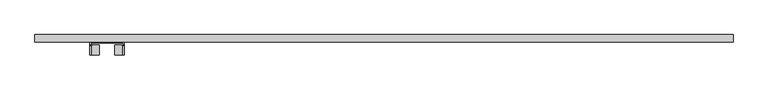
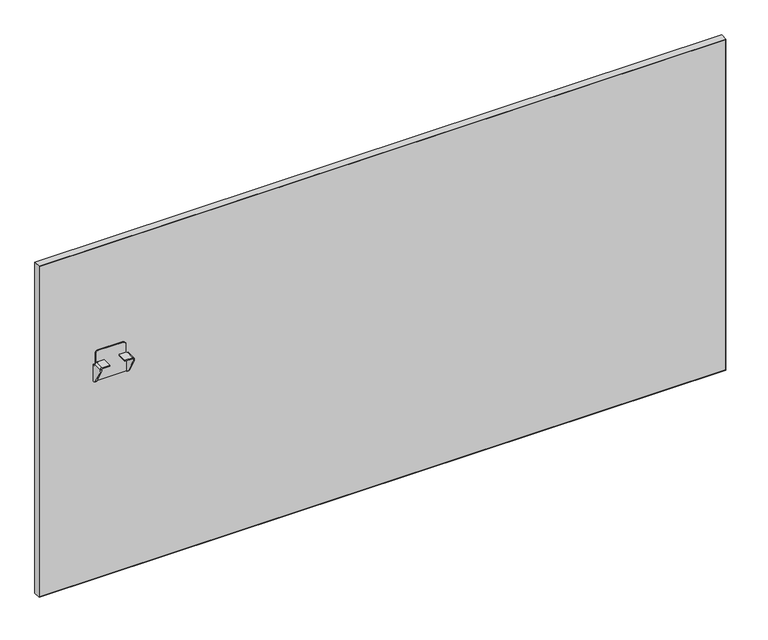
"""IFC4 building model written with IfcOpenShell, lengths in millimetres: furniture geometry."""

from ifc_helpers import new_model, si_unit, frame, origin, place, context, project, spatial, polyline, circle_curve, outline, extrude, source, transform, mapped, element, save
from ifc_brep_helpers import plane_surface, cylinder_surface, revolved_surface, advanced_brep


def furniture_2f40ea91(model_context):
    return source(origin(), model_context, "Body", "SolidModel", [
        advanced_brep(
        [(149.0521938, 1.06716, 620.0380983), (149.0521938, 4.1049999, 620.0380983), (144.0521992, 4.1049999, 620.0380983), (144.0521992, -1.6875933, 620.0380983), (147.0900316, -1.6875933, 620.0380983), (147.0900316, 1.06716, 620.0380983), (229.0522071, 4.1049999, 620.0380983), (229.0522071, 1.06716, 620.0380983), (231.0143693, 1.06716, 620.0380983), (231.0143693, -1.6875933, 620.0380983), (234.0522017, -1.6875933, 620.0380983), (234.0522017, 4.1049999, 620.0380983), (229.052189, 4.1049999, 649.8381144), (229.052189, 1.06716, 649.8381144), (222.0521984, 4.1049999, 656.838105), (222.0521984, 1.06716, 656.838105), (156.0522026, 4.1049999, 656.838105), (156.0522026, 1.06716, 656.838105), (149.0521938, 4.1049999, 649.8380962), (149.0521938, 1.06716, 649.8380962), (169.0521994, -29.5203411, 626.5001312), (169.0521994, -29.5203411, 629.5379545), (148.4947233, -29.5203411, 629.5379545), (144.0521992, -29.5203411, 625.0954304), (144.0521992, -29.5203411, 624.6295199), (147.0900316, -29.5203411, 624.6295199), (147.0900316, -29.5203411, 625.0357436), (148.5544192, -29.5203411, 626.5001312), (209.0522015, -29.5203411, 626.5001312), (229.5499817, -29.5203411, 626.5001312), (231.0143693, -29.5203411, 625.0357436), (231.0143693, -29.5203411, 624.6295199), (234.0522017, -29.5203411, 624.6295199), (234.0522017, -29.5203411, 625.0954304), (229.6096776, -29.5203411, 629.5379545), (209.0522015, -29.5203411, 629.5379545), (234.0522017, 4.1049999, 573.0381329), (144.0521992, 4.1049999, 573.0381329), (169.0521994, -4.3999769, 626.5001312), (169.0521994, -4.3999769, 629.5379545), (168.1725625, -3.5203401, 629.5379545), (151.2898165, -3.5203401, 629.5379545), (150.5521931, -4.2579635, 629.5379545), (150.5521931, -5.4397153, 629.5379545), (149.9715682, -6.0203402, 629.5379545), (148.4947233, -6.0203402, 629.5379545), (144.0521992, -6.0203402, 625.0954304), (144.0521992, -6.0203402, 624.3708452), (144.0521992, 0.8823599, 573.0381329), (144.0521992, -5.9290326, 577.9183582), (144.0521992, -25.8702399, 611.375914), (147.0900316, 0.8823599, 573.0381329), (234.0522017, 0.8823599, 573.0381329), (231.0143693, 0.8823599, 573.0381329), (231.0143693, 1.06716, 573.0381329), (147.0900316, 1.06716, 573.0381329), (147.0900316, -25.8702399, 611.375914), (147.0900316, -5.9290326, 577.9183582), (147.0900316, -6.0203402, 624.3708452), (147.0900316, -6.0203402, 625.0357436), (148.5544192, -6.0203402, 626.5001312), (149.9715682, -6.0203402, 626.5001312), (150.5521931, -5.4397153, 626.5001312), (150.5521931, -4.2579635, 626.5001312), (151.2898165, -3.5203401, 626.5001312), (168.1725625, -3.5203401, 626.5001312), (209.0522015, -4.3999769, 626.5001312), (209.9318384, -3.5203401, 626.5001312), (226.8145845, -3.5203401, 626.5001312), (227.5522079, -4.2579635, 626.5001312), (227.5522079, -5.4397153, 626.5001312), (228.1328327, -6.0203402, 626.5001312), (229.5499817, -6.0203402, 626.5001312), (231.0143693, -6.0203402, 625.0357436), (231.0143693, -6.0203402, 624.3708452), (231.0143693, -5.9290326, 577.9183582), (231.0143693, -25.8702399, 611.375914), (234.0522017, -25.8702399, 611.375914), (234.0522017, -5.9290326, 577.9183582), (234.0522017, -6.0203402, 624.3708452), (234.0522017, -6.0203402, 625.0954304), (229.6096776, -6.0203402, 629.5379545), (228.1328327, -6.0203402, 629.5379545), (227.5522079, -5.4397153, 629.5379545), (227.5522079, -4.2579635, 629.5379545), (226.8145845, -3.5203401, 629.5379545), (209.9318384, -3.5203401, 629.5379545), (209.0522015, -4.3999769, 629.5379545)],
        [
            (0, 1),
            (1, 2),
            (2, 3),
            (3, 4),
            (4, 5),
            (5, 0),
            (6, 7),
            (7, 8),
            (8, 9),
            (9, 10),
            (10, 11),
            (11, 6),
            (12, 13),
            (13, 7),
            (6, 12),
            (12, 14, circle_curve(frame((222.0521984, 4.1049999, 649.8381144), z_axis=(0.0, -1.0, 0.0), x_axis=(1.0, 0.0, 0.0)), 6.9999906)),
            (14, 15),
            (15, 13, circle_curve(frame((222.0521984, 1.06716, 649.8381144), z_axis=(0.0, 1.0, 0.0), x_axis=(1.0, 0.0, 0.0)), 6.9999906)),
            (14, 16),
            (16, 17),
            (17, 15),
            (16, 18, circle_curve(frame((156.0522026, 4.1049999, 649.8380962), z_axis=(0.0, -1.0, 0.0), x_axis=(1.0, 0.0, 0.0)), 7.0000088)),
            (18, 19),
            (19, 17, circle_curve(frame((156.0522026, 1.06716, 649.8380962), z_axis=(0.0, 1.0, 0.0), x_axis=(1.0, 0.0, 0.0)), 7.0000088)),
            (18, 1),
            (0, 19),
            (20, 21),
            (21, 22),
            (22, 23, circle_curve(frame((148.4947233, -29.5203411, 625.0954304), z_axis=(0.0, -1.0, 0.0), x_axis=(1.0, 0.0, 0.0)), 4.4425241)),
            (23, 24),
            (24, 25),
            (25, 26),
            (26, 27, circle_curve(frame((148.5544192, -29.5203411, 625.0357436), z_axis=(0.0, 1.0, 0.0), x_axis=(1.0, 0.0, 0.0)), 1.4643876)),
            (27, 20),
            (28, 29),
            (29, 30, circle_curve(frame((229.5499817, -29.5203411, 625.0357436), z_axis=(0.0, 1.0, 0.0), x_axis=(-1.0, 0.0, 0.0)), 1.4643876)),
            (30, 31),
            (31, 32),
            (32, 33),
            (33, 34, circle_curve(frame((229.6096776, -29.5203411, 625.0954304), z_axis=(0.0, -1.0, 0.0), x_axis=(-1.0, 0.0, 0.0)), 4.4425241)),
            (34, 35),
            (35, 28),
            (11, 36),
            (36, 37),
            (37, 2),
            (20, 38),
            (38, 39),
            (39, 21),
            (39, 40, circle_curve(frame((168.1725625, -4.3999769, 629.5379545), z_axis=(0.0, 0.0, 1.0), x_axis=(1.0, 0.0, 0.0)), 0.8796369)),
            (40, 41),
            (41, 42, circle_curve(frame((151.2898165, -4.2579635, 629.5379545), z_axis=(0.0, 0.0, 1.0), x_axis=(1.0, 0.0, 0.0)), 0.7376234)),
            (42, 43),
            (43, 44, circle_curve(frame((149.9715682, -5.4397153, 629.5379545), z_axis=(0.0, 0.0, -1.0), x_axis=(1.0, 0.0, 0.0)), 0.5806249)),
            (44, 45),
            (45, 22),
            (45, 46, circle_curve(frame((148.4947233, -6.0203402, 625.0954304), z_axis=(0.0, -1.0, 0.0), x_axis=(1.0, 0.0, 0.0)), 4.4425241)),
            (46, 23),
            (46, 47),
            (47, 3, circle_curve(frame((144.0521992, -1.6875933, 624.3708452), z_axis=(1.0, 0.0, 0.0), x_axis=(0.0, -1.0, 0.0)), 4.3327469)),
            (37, 48),
            (48, 49, circle_curve(frame((144.0521992, 3.066225, 583.2796673), z_axis=(-1.0, 0.0, 0.0), x_axis=(0.0, -1.0, 0.0)), 10.4717856)),
            (49, 50),
            (50, 24, circle_curve(frame((144.0521992, -3.6332082, 624.6295199), z_axis=(-1.0, 0.0, 0.0), x_axis=(0.0, -1.0, 0.0)), 25.8871329)),
            (51, 48),
            (36, 52),
            (52, 53),
            (53, 54),
            (54, 55),
            (55, 51),
            (25, 56, circle_curve(frame((147.0900316, -3.6332082, 624.6295199), z_axis=(1.0, 0.0, 0.0), x_axis=(0.0, -1.0, 0.0)), 25.8871329)),
            (56, 57),
            (57, 51, circle_curve(frame((147.0900316, 3.066225, 583.2796673), z_axis=(1.0, 0.0, 0.0), x_axis=(0.0, -1.0, 0.0)), 10.4717856)),
            (55, 5),
            (4, 58, circle_curve(frame((147.0900316, -1.6875933, 624.3708452), z_axis=(-1.0, 0.0, 0.0), x_axis=(0.0, -1.0, 0.0)), 4.3327469)),
            (58, 59),
            (59, 26),
            (59, 60, circle_curve(frame((148.5544192, -6.0203402, 625.0357436), z_axis=(0.0, 1.0, 0.0), x_axis=(1.0, 0.0, 0.0)), 1.4643876)),
            (60, 27),
            (60, 61),
            (61, 62, circle_curve(frame((149.9715682, -5.4397153, 626.5001312), z_axis=(0.0, 0.0, 1.0), x_axis=(1.0, 0.0, 0.0)), 0.5806249)),
            (62, 63),
            (63, 64, circle_curve(frame((151.2898165, -4.2579635, 626.5001312), z_axis=(0.0, 0.0, -1.0), x_axis=(1.0, 0.0, 0.0)), 0.7376234)),
            (64, 65),
            (65, 38, circle_curve(frame((168.1725625, -4.3999769, 626.5001312), z_axis=(0.0, 0.0, -1.0), x_axis=(1.0, 0.0, 0.0)), 0.8796369)),
            (28, 66),
            (66, 67, circle_curve(frame((209.9318384, -4.3999769, 626.5001312), z_axis=(0.0, 0.0, -1.0), x_axis=(-1.0, 0.0, 0.0)), 0.8796369)),
            (67, 68),
            (68, 69, circle_curve(frame((226.8145845, -4.2579635, 626.5001312), z_axis=(0.0, 0.0, -1.0), x_axis=(-1.0, 0.0, 0.0)), 0.7376234)),
            (69, 70),
            (70, 71, circle_curve(frame((228.1328327, -5.4397153, 626.5001312), z_axis=(0.0, 0.0, 1.0), x_axis=(-1.0, 0.0, 0.0)), 0.5806249)),
            (71, 72),
            (72, 29),
            (72, 73, circle_curve(frame((229.5499817, -6.0203402, 625.0357436), z_axis=(0.0, 1.0, 0.0), x_axis=(-1.0, 0.0, 0.0)), 1.4643876)),
            (73, 30),
            (73, 74),
            (74, 9, circle_curve(frame((231.0143693, -1.6875933, 624.3708452), z_axis=(1.0, 0.0, 0.0), x_axis=(0.0, -1.0, 0.0)), 4.3327469)),
            (8, 54),
            (53, 75, circle_curve(frame((231.0143693, 3.066225, 583.2796673), z_axis=(-1.0, 0.0, 0.0), x_axis=(0.0, -1.0, 0.0)), 10.4717856)),
            (75, 76),
            (76, 31, circle_curve(frame((231.0143693, -3.6332082, 624.6295199), z_axis=(-1.0, 0.0, 0.0), x_axis=(0.0, -1.0, 0.0)), 25.8871329)),
            (32, 77, circle_curve(frame((234.0522017, -3.6332082, 624.6295199), z_axis=(1.0, 0.0, 0.0), x_axis=(0.0, -1.0, 0.0)), 25.8871329)),
            (77, 78),
            (78, 52, circle_curve(frame((234.0522017, 3.066225, 583.2796673), z_axis=(1.0, 0.0, 0.0), x_axis=(0.0, -1.0, 0.0)), 10.4717856)),
            (10, 79, circle_curve(frame((234.0522017, -1.6875933, 624.3708452), z_axis=(-1.0, 0.0, 0.0), x_axis=(0.0, -1.0, 0.0)), 4.3327469)),
            (79, 80),
            (80, 33),
            (80, 81, circle_curve(frame((229.6096776, -6.0203402, 625.0954304), z_axis=(0.0, -1.0, 0.0), x_axis=(-1.0, 0.0, 0.0)), 4.4425241)),
            (81, 34),
            (81, 82),
            (82, 83, circle_curve(frame((228.1328327, -5.4397153, 629.5379545), z_axis=(0.0, 0.0, -1.0), x_axis=(-1.0, 0.0, 0.0)), 0.5806249)),
            (83, 84),
            (84, 85, circle_curve(frame((226.8145845, -4.2579635, 629.5379545), z_axis=(0.0, 0.0, 1.0), x_axis=(-1.0, 0.0, 0.0)), 0.7376234)),
            (85, 86),
            (86, 87, circle_curve(frame((209.9318384, -4.3999769, 629.5379545), z_axis=(0.0, 0.0, 1.0), x_axis=(-1.0, 0.0, 0.0)), 0.8796369)),
            (87, 35),
            (87, 66),
            (49, 57),
            (56, 50),
            (75, 78),
            (77, 76),
            (47, 58),
            (74, 79),
            (64, 41),
            (40, 65),
            (44, 61),
            (43, 62),
            (42, 63),
            (68, 85),
            (84, 69),
            (83, 70),
            (82, 71),
            (86, 67),
        ],
        [
            plane_surface(frame((147.8704256, 1.06716, 620.0380983), z_axis=(0.0, 0.0, 1.0), x_axis=(0.0, 1.0, 0.0))),
            plane_surface(frame((234.0522017, 1.06716, 620.0380983), z_axis=(0.0, 0.0, 1.0), x_axis=(0.0, 1.0, 0.0))),
            plane_surface(frame((229.052189, 1.06716, 621.2198666), z_axis=(1.0, 0.0, 0.0), x_axis=(0.0, 1.0, 0.0))),
            cylinder_surface(frame((222.0521984, 4.1049999, 649.8381144), z_axis=(0.0, -1.0, 0.0), x_axis=(1.0, 0.0, 0.0)), 6.9999906),
            plane_surface(frame((222.0521984, 1.06716, 656.838105), z_axis=(0.0, 0.0, 1.0), x_axis=(0.0, 1.0, 0.0))),
            cylinder_surface(frame((156.0522026, 4.1049999, 649.8380962), z_axis=(0.0, -1.0, 0.0), x_axis=(1.0, 0.0, 0.0)), 7.0000088),
            plane_surface(frame((149.0521938, 1.06716, 649.8380962), z_axis=(-1.0, 0.0, 0.0), x_axis=(0.0, 1.0, 0.0))),
            plane_surface(frame((169.0521994, -29.5203411, 629.5379545), z_axis=(0.0, -1.0, 0.0), x_axis=(0.0, 0.0, 1.0))),
            plane_surface(frame((169.0521994, 4.1049999, 629.5379545), z_axis=(0.0, 1.0, 0.0), x_axis=(0.0, 0.0, -1.0))),
            plane_surface(frame((169.0521994, -29.5203411, 626.5001312), z_axis=(1.0, 0.0, 0.0), x_axis=(0.0, 1.0, 0.0))),
            plane_surface(frame((169.0521994, -29.5203411, 629.5379545), z_axis=(0.0, 0.0, 1.0), x_axis=(0.0, 1.0, 0.0))),
            cylinder_surface(frame((148.4947233, 4.1049999, 625.0954304), z_axis=(0.0, -1.0, 0.0), x_axis=(1.0, 0.0, 0.0)), 4.4425241),
            plane_surface(frame((144.0521992, -29.5203411, 625.0954304), z_axis=(-1.0, 0.0, 0.0), x_axis=(0.0, 1.0, 0.0))),
            plane_surface(frame((144.0521992, -29.5203411, 573.0381329), z_axis=(0.0, 0.0, -1.0), x_axis=(0.0, 1.0, 0.0))),
            plane_surface(frame((147.0900316, -29.5203411, 573.0381329), z_axis=(1.0, 0.0, 0.0), x_axis=(0.0, 1.0, 0.0))),
            revolved_surface(polyline([(150.01880680000002, -6.020340199999999, 625.0357436), (150.01880680000002, -29.5203411, 625.0357436)]), (148.5544192, 4.1049999, 625.0357436), (0.0, 1.0, 0.0)),
            plane_surface(frame((148.5544192, -29.5203411, 626.5001312), z_axis=(0.0, 0.0, -1.0), x_axis=(0.0, 1.0, 0.0))),
            plane_surface(frame((209.0522015, -29.5203411, 626.5001312), z_axis=(0.0, 0.0, -1.0), x_axis=(0.0, 1.0, 0.0))),
            revolved_surface(polyline([(228.08559409999998, -6.0203402, 625.0357436), (228.08559409999998, -29.5203411, 625.0357436)]), (229.5499817, 0.0, 625.0357436), (0.0, 1.0, 0.0)),
            plane_surface(frame((231.0143693, -29.5203411, 625.0357436), z_axis=(-1.0, 0.0, 0.0), x_axis=(0.0, 1.0, 0.0))),
            plane_surface(frame((234.0522017, -29.5203411, 573.0381329), z_axis=(1.0, 0.0, 0.0), x_axis=(0.0, 1.0, 0.0))),
            cylinder_surface(frame((229.6096776, 0.0, 625.0954304), z_axis=(0.0, -1.0, 0.0), x_axis=(-1.0, 0.0, 0.0)), 4.4425241),
            plane_surface(frame((229.6096776, -29.5203411, 629.5379545), z_axis=(0.0, 0.0, 1.0), x_axis=(0.0, 1.0, 0.0))),
            plane_surface(frame((209.0522015, -29.5203411, 629.5379545), z_axis=(-1.0, 0.0, 0.0), x_axis=(0.0, 1.0, 0.0))),
            plane_surface(frame((236.585753, -5.9290326, 577.9183582), z_axis=(0.0, -0.8589994037788274, -0.5119765857025291), x_axis=(-1.0, 0.0, 0.0))),
            cylinder_surface(frame((141.8424723, -3.6332082, 624.6295199), z_axis=(-1.0, 0.0, 0.0), x_axis=(0.0, -1.0, 0.0)), 25.8871329),
            cylinder_surface(frame((141.8424723, 3.066225, 583.2796673), z_axis=(-1.0, 0.0, 0.0), x_axis=(0.0, -1.0, 0.0)), 10.4717856),
            revolved_surface(polyline([(147.0900316, -6.0203402, 624.3708452), (144.0521992, -6.0203402, 624.3708452)]), (141.8424723, -1.6875933, 624.3708452), (1.0, 0.0, 0.0)),
            revolved_surface(polyline([(231.0143693, -6.0203402, 624.3708452), (234.0522017, -6.0203402, 624.3708452)]), (236.2619286, -1.6875933, 624.3708452), (-1.0, 0.0, 0.0)),
            plane_surface(frame((151.2898165, -3.5203401, 663.2138968), z_axis=(0.0, 1.0, 0.0), x_axis=(0.0, 0.0, -1.0))),
            cylinder_surface(frame((168.1725625, -4.3999769, 560.9501359), z_axis=(0.0, 0.0, -1.0), x_axis=(1.0, 0.0, 0.0)), 0.8796369),
            plane_surface(frame((169.0521994, 1.06716, 663.2138968), z_axis=(0.0, -1.0, 0.0), x_axis=(0.0, 0.0, -1.0))),
            plane_surface(frame((149.0521938, -6.0203402, 663.2138968), z_axis=(0.0, 1.0, 0.0), x_axis=(0.0, 0.0, -1.0))),
            revolved_surface(polyline([(150.5521931, -5.4397153, 629.5379545), (150.5521931, -5.4397153, 626.5001312)]), (149.9715682, -5.4397153, 560.9501359), (0.0, 0.0, 1.0)),
            plane_surface(frame((150.5521931, -5.4397153, 663.2138968), z_axis=(-1.0, 0.0, 0.0), x_axis=(0.0, 0.0, -1.0))),
            cylinder_surface(frame((151.2898165, -4.2579635, 560.9501359), z_axis=(0.0, 0.0, -1.0), x_axis=(1.0, 0.0, 0.0)), 0.7376234),
            cylinder_surface(frame((226.8145845, -4.2579635, 48.3485614), z_axis=(0.0, 0.0, -1.0), x_axis=(-1.0, 0.0, 0.0)), 0.7376234),
            plane_surface(frame((227.5522079, -4.2579635, 663.2138968), z_axis=(1.0, 0.0, 0.0), x_axis=(0.0, 0.0, -1.0))),
            revolved_surface(polyline([(227.5522078, -5.4397153, 629.5379545), (227.5522078, -5.4397153, 626.5001312)]), (228.1328327, -5.4397153, 48.3485614), (0.0, 0.0, 1.0)),
            plane_surface(frame((228.1328327, -6.0203402, 663.2138968), z_axis=(0.0, 1.0, 0.0), x_axis=(0.0, 0.0, -1.0))),
            cylinder_surface(frame((209.9318384, -4.3999769, 48.3485614), z_axis=(0.0, 0.0, -1.0), x_axis=(-1.0, 0.0, 0.0)), 0.8796369),
            plane_surface(frame((209.9318384, -3.5203401, 663.2138968), z_axis=(0.0, 1.0, 0.0), x_axis=(0.0, 0.0, -1.0))),
        ],
        [
            (0, [[1, 2, 3, 4, 5, 6]]),
            (1, [[7, 8, 9, 10, 11, 12]]),
            (2, [[13, 14, -7, 15]]),
            (3, [[16, 17, 18, -13]]),
            (4, [[19, 20, 21, -17]]),
            (5, [[22, 23, 24, -20]]),
            (6, [[-23, 25, -1, 26]]),
            (7, [[27, 28, 29, 30, 31, 32, 33, 34]]),
            (7, [[35, 36, 37, 38, 39, 40, 41, 42]]),
            (8, [[-22, -19, -16, -15, -12, 43, 44, 45, -2, -25]]),
            (9, [[-27, 46, 47, 48]]),
            (10, [[-28, -48, 49, 50, 51, 52, 53, 54, 55]]),
            (11, [[-29, -55, 56, 57]]),
            (12, [[-30, -57, 58, 59, -3, -45, 60, 61, 62, 63]]),
            (13, [[64, -60, -44, 65, 66, 67, 68, 69]]),
            (14, [[-32, 70, 71, 72, -69, 73, -5, 74, 75, 76]]),
            (15, [[-33, -76, 77, 78]]),
            (16, [[-34, -78, 79, 80, 81, 82, 83, 84, -46]]),
            (17, [[-35, 85, 86, 87, 88, 89, 90, 91, 92]]),
            (18, [[-36, -92, 93, 94]]),
            (19, [[-37, -94, 95, 96, -9, 97, -67, 98, 99, 100]]),
            (20, [[-39, 101, 102, 103, -65, -43, -11, 104, 105, 106]]),
            (21, [[-40, -106, 107, 108]]),
            (22, [[-41, -108, 109, 110, 111, 112, 113, 114, 115]]),
            (23, [[-42, -115, 116, -85]]),
            (24, [[117, -71, 118, -62]]),
            (24, [[119, -102, 120, -99]]),
            (25, [[-118, -70, -31, -63]]),
            (25, [[-120, -101, -38, -100]]),
            (26, [[-117, -61, -64, -72]]),
            (26, [[-119, -98, -66, -103]]),
            (27, [[121, -74, -4, -59]]),
            (28, [[122, -104, -10, -96]]),
            (29, [[123, -50, 124, -83]]),
            (30, [[-124, -49, -47, -84]]),
            (31, [[-14, -18, -21, -24, -26, -6, -73, -68, -97, -8]]),
            (32, [[125, -79, -77, -75, -121, -58, -56, -54]]),
            (33, [[-125, -53, 126, -80]]),
            (34, [[-126, -52, 127, -81]]),
            (35, [[-123, -82, -127, -51]]),
            (36, [[128, -112, 129, -88]]),
            (37, [[-129, -111, 130, -89]]),
            (38, [[-130, -110, 131, -90]]),
            (39, [[-131, -109, -107, -105, -122, -95, -93, -91]]),
            (40, [[132, -86, -116, -114]]),
            (41, [[-128, -87, -132, -113]]),
        ],
    ),
        extrude(outline(polyline([(1827.784, 4.1049999), (1.016, 4.1049999), (1.016, 23.4089999), (1827.784, 23.4089999), (1827.784, 4.1049999)])), frame((0.0, 0.0, 15.0745614), z_axis=(0.0, 0.0, 1.0), x_axis=(1.0, 0.0, 0.0)), (0.0, 0.0, 1.0), 929.894),
        extrude(outline(polyline([(945.9845614, 1828.8), (945.9845614, 0.0), (14.0585614, 0.0), (14.0585614, 1828.8), (945.9845614, 1828.8)]), holes=[polyline([(15.0745614, 1827.784), (15.0745614, 1.016), (944.9685614, 1.016), (944.9685614, 1827.784), (15.0745614, 1827.784)])]), frame((0.0, 4.1049999, 0.0), z_axis=(0.0, 1.0, 0.0), x_axis=(0.0, 0.0, 1.0)), (0.0, 0.0, 1.0), 19.304),
    ])


if __name__ == "__main__":
    model = new_model("IFC4")
    model_context = context("Model", 3, world=origin())
    ifc_project = project(units=[si_unit("LENGTHUNIT", "METRE", prefix="MILLI")], contexts=[model_context])
    site = spatial("IfcSite", under=ifc_project)
    building = spatial("IfcBuilding", under=site)
    placement = place(None, origin())
    furniture_shape = furniture_2f40ea91(model_context)
    element("IfcFurniture", 1, at=placement, inside=building, context=model_context, shape_type="MappedRepresentation", body=[
        mapped(furniture_shape, transform((0.0, 0.0, 0.0), x_axis=(1.0, 0.0, 0.0), y_axis=(0.0, 1.0, 0.0), z_axis=(0.0, 0.0, 1.0))),
    ])
    save(model, "model.ifc")
